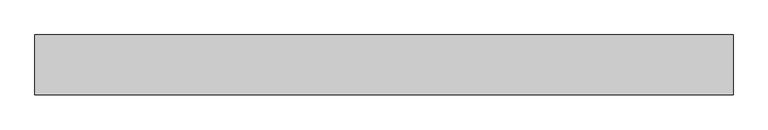
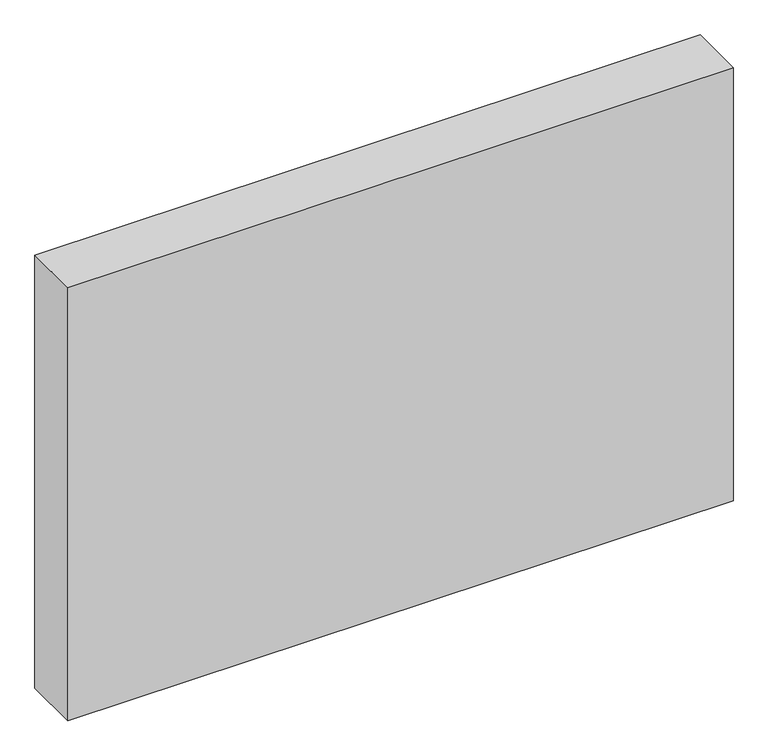
"""IFC4 building model written with IfcOpenShell, lengths in millimetres: proxy geometry."""

from ifc_helpers import new_model, si_unit, origin, origin_with_axes, place, context, project, spatial, polyline, outline, extrude, source, transform, mapped, element, save


def generic_models_378d4bbc(model_context):
    return source(origin(), model_context, "Body", "SweptSolid", [
        extrude(outline(polyline([(0.0, 100.0), (0.0, 0.0), (-1162.7077171, 0.0), (-1162.7077171, 100.0), (0.0, 100.0)])), origin_with_axes(), (0.0, 0.0, 1.0), 800.0),
    ])


if __name__ == "__main__":
    model = new_model("IFC4")
    model_context = context("Model", 3, world=origin())
    ifc_project = project(units=[si_unit("LENGTHUNIT", "METRE", prefix="MILLI")], contexts=[model_context])
    site = spatial("IfcSite", under=ifc_project)
    building = spatial("IfcBuilding", under=site)
    placement = place(None, origin())
    generic_models_shape = generic_models_378d4bbc(model_context)
    element("IfcBuildingElementProxy", 1, Name="Generic Models", at=placement, inside=building, context=model_context, shape_type="MappedRepresentation", body=[
        mapped(generic_models_shape, transform((0.0, 0.0, 0.0), x_axis=(1.0, 0.0, 0.0), y_axis=(0.0, 1.0, 0.0), z_axis=(0.0, 0.0, 1.0))),
    ])
    save(model, "model.ifc")
